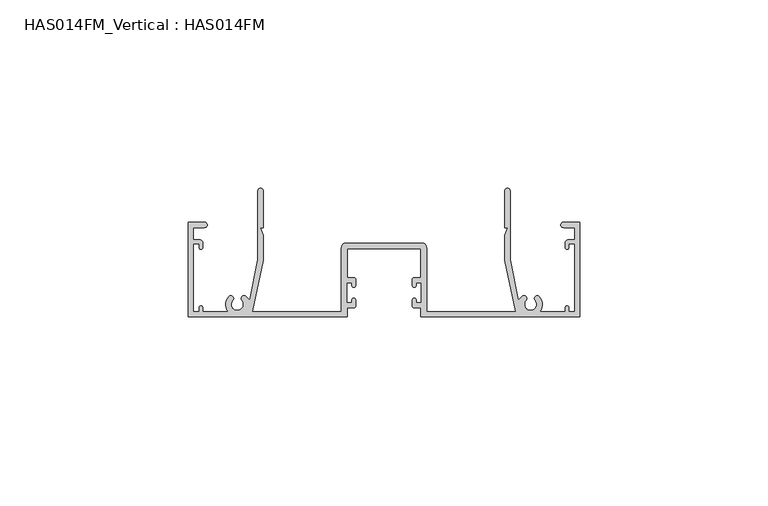
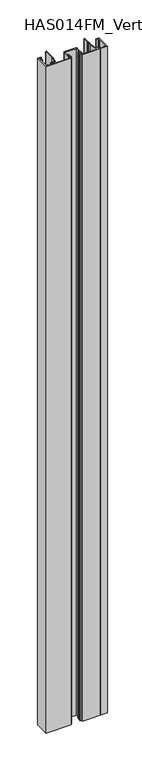
"""IFC4 building model written with IfcOpenShell, lengths in millimetres: beam geometry, HAS014FM_Vertical : HAS014FM."""

from ifc_helpers import new_model, si_unit, point, frame, frame_2d, origin, place, context, project, spatial, polyline, circle_curve, trimmed, segment, composite_curve, outline, extrude, source, transform, mapped, element, save


def has014fm_vertical_has014fm_8f078e65(model_context):
    return source(origin(), model_context, "Body", "SweptSolid", [
        extrude(outline(composite_curve([segment(polyline([(9.7397316, -31.7708648), (8.0332081, -31.7708648)]), True, "CONTINUOUS"), segment(trimmed(circle_curve(frame_2d((8.0332081, -31.2689461)), 0.5019187), [point((8.0332081, -31.7708648))], [point((7.5312895, -31.2689461))], False, "CARTESIAN"), True, "CONTINUOUS"), segment(polyline([(7.5312895, -31.2689461), (7.5312895, -29.6635739)]), True, "CONTINUOUS"), segment(trimmed(circle_curve(frame_2d((8.0332081, -29.6635739)), 0.5019187), [point((7.5312895, -29.6635739))], [point((8.5351268, -29.6635739))], False, "CARTESIAN"), True, "CONTINUOUS"), segment(polyline([(8.5351268, -29.6635739), (8.5351268, -30.4658763), (9.940499, -30.4658763), (9.940499, -25.0451548), (8.5351268, -25.0451548), (8.5351268, -25.8474572)]), True, "CONTINUOUS"), segment(trimmed(circle_curve(frame_2d((8.0332081, -25.8474572)), 0.5019187), [point((8.5351268, -25.8474572))], [point((7.5312895, -25.8474572))], False, "CARTESIAN"), True, "CONTINUOUS"), segment(polyline([(7.5312895, -25.8474572), (7.5312895, -24.2420849)]), True, "CONTINUOUS"), segment(trimmed(circle_curve(frame_2d((8.0332081, -24.2420849)), 0.5019187), [point((7.5312895, -24.2420849))], [point((8.0332081, -23.7401663))], False, "CARTESIAN"), True, "CONTINUOUS"), segment(polyline([(8.0332081, -23.7401663), (9.7397316, -23.7401663), (9.7397316, -16.1110027), (-9.7397316, -16.1110027), (-9.7397316, -23.7401663), (-8.0332081, -23.7401663)]), True, "CONTINUOUS"), segment(trimmed(circle_curve(frame_2d((-8.0332081, -24.2420849)), 0.5019187), [point((-8.0332081, -23.7401663))], [point((-7.5312895, -24.2420849))], False, "CARTESIAN"), True, "CONTINUOUS"), segment(polyline([(-7.5312895, -24.2420849), (-7.5312895, -25.8474572)]), True, "CONTINUOUS"), segment(trimmed(circle_curve(frame_2d((-8.0332081, -25.8474572)), 0.5019187), [point((-7.5312895, -25.8474572))], [point((-8.5351268, -25.8474572))], False, "CARTESIAN"), True, "CONTINUOUS"), segment(polyline([(-8.5351268, -25.8474572), (-8.5351268, -25.0451548), (-9.940499, -25.0451548), (-9.940499, -30.4658763), (-8.5351268, -30.4658763), (-8.5351268, -29.6635739)]), True, "CONTINUOUS"), segment(trimmed(circle_curve(frame_2d((-8.0332081, -29.6635739)), 0.5019187), [point((-8.5351268, -29.6635739))], [point((-7.5312895, -29.6635739))], False, "CARTESIAN"), True, "CONTINUOUS"), segment(polyline([(-7.5312895, -29.6635739), (-7.5312895, -31.2689461)]), True, "CONTINUOUS"), segment(trimmed(circle_curve(frame_2d((-8.0332081, -31.2689461)), 0.5019187), [point((-7.5312895, -31.2689461))], [point((-8.0332081, -31.7708648))], False, "CARTESIAN"), True, "CONTINUOUS"), segment(polyline([(-8.0332081, -31.7708648), (-9.7397316, -31.7708648), (-9.7397316, -34.1298825), (-51.998773, -34.1298825), (-51.998773, -9.0339496), (-47.6822725, -9.0339496)]), True, "CONTINUOUS"), segment(trimmed(circle_curve(frame_2d((-47.6822725, -9.7366357)), 0.7026861), [point((-47.6822725, -9.0339496))], [point((-47.6822725, -10.4393218))], False, "CARTESIAN"), True, "CONTINUOUS"), segment(polyline([(-47.6822725, -10.4393218), (-50.6435926, -10.4393218), (-50.6435926, -13.7017931), (-48.9370692, -13.7017931)]), True, "CONTINUOUS"), segment(trimmed(circle_curve(frame_2d((-48.9370692, -14.504863)), 0.8030699), [point((-48.9370692, -13.7017931))], [point((-48.1339993, -14.504863))], False, "CARTESIAN"), True, "CONTINUOUS"), segment(polyline([(-48.1339993, -14.504863), (-48.1339993, -15.7094677)]), True, "CONTINUOUS"), segment(trimmed(circle_curve(frame_2d((-48.635918, -15.7094677)), 0.5019187), [point((-48.1339993, -15.7094677))], [point((-49.1378366, -15.7094677))], False, "CARTESIAN"), True, "CONTINUOUS"), segment(polyline([(-49.1378366, -15.7094677), (-49.1378366, -14.7056304), (-50.6435926, -14.7056304), (-50.6435926, -32.7747021), (-49.1378366, -32.7747021), (-49.1378366, -31.7708648)]), True, "CONTINUOUS"), segment(trimmed(circle_curve(frame_2d((-48.635918, -31.7708648)), 0.5019187), [point((-49.1378366, -31.7708648))], [point((-48.1339993, -31.7708648))], False, "CARTESIAN"), True, "CONTINUOUS"), segment(polyline([(-48.1339993, -31.7708648), (-48.1339993, -32.7747021), (-41.4082317, -32.7747021)]), True, "CONTINUOUS"), segment(trimmed(circle_curve(frame_2d((-38.9488879, -30.8679975)), 3.1118957), [point((-41.4082317, -32.7747021))], [point((-41.283567, -28.810531))], False, "CARTESIAN"), True, "CONTINUOUS"), segment(trimmed(circle_curve(frame_2d((-40.7187253, -29.3083052)), 0.752878), [point((-41.283567, -28.810531))], [point((-40.1538835, -29.8060793))], False, "CARTESIAN"), True, "CONTINUOUS"), segment(trimmed(circle_curve(frame_2d((-38.9488879, -30.8679975)), 1.6061397), [point((-40.1538835, -29.8060793))], [point((-38.9120232, -32.4737141))], True, "CARTESIAN"), True, "CONTINUOUS"), segment(trimmed(circle_curve(frame_2d((-38.9488879, -30.8679975)), 1.6061397), [point((-38.9120232, -32.4737141))], [point((-37.7438922, -29.8060793))], True, "CARTESIAN"), True, "CONTINUOUS"), segment(trimmed(circle_curve(frame_2d((-37.1790505, -29.3083052)), 0.752878), [point((-37.7438922, -29.8060793))], [point((-36.6142088, -28.810531))], False, "CARTESIAN"), True, "CONTINUOUS"), segment(polyline([(-36.6142088, -28.810531), (-35.692704, -29.7320358), (-33.4779745, -18.9347678), (-33.4779745, -0.6775902)]), True, "CONTINUOUS"), segment(trimmed(circle_curve(frame_2d((-32.8003843, -0.6775902)), 0.6775902), [point((-33.4779745, -0.6775902))], [point((-32.1227941, -0.6775902))], False, "CARTESIAN"), True, "CONTINUOUS"), segment(polyline([(-32.1227941, -0.6775902), (-32.1227941, -10.5402918), (-32.925864, -10.5402918), (-32.1227941, -12.4331683), (-32.1227941, -19.0723228), (-34.9335386, -32.7752884), (-11.2956794, -32.7752884), (-11.2956794, -15.7596596)]), True, "CONTINUOUS"), segment(trimmed(circle_curve(frame_2d((-10.0910746, -15.7596596)), 1.2046048), [point((-11.2956794, -15.7596596))], [point((-10.0910746, -14.5550548))], False, "CARTESIAN"), True, "CONTINUOUS"), segment(polyline([(-10.0910746, -14.5550548), (10.0910746, -14.5550548)]), True, "CONTINUOUS"), segment(trimmed(circle_curve(frame_2d((10.0910746, -15.7596596)), 1.2046048), [point((10.0910746, -14.5550548))], [point((11.2956794, -15.7596596))], False, "CARTESIAN"), True, "CONTINUOUS"), segment(polyline([(11.2956794, -15.7596596), (11.2956794, -32.7752884), (34.9335386, -32.7752884), (32.1227941, -19.0723228), (32.1227941, -12.4331683), (32.925864, -10.5402918), (32.1227941, -10.5402918), (32.1227941, -0.6775902)]), True, "CONTINUOUS"), segment(trimmed(circle_curve(frame_2d((32.8003843, -0.6775902)), 0.6775902), [point((32.1227941, -0.6775902))], [point((33.4779745, -0.6775902))], False, "CARTESIAN"), True, "CONTINUOUS"), segment(polyline([(33.4779745, -0.6775902), (33.4779745, -18.9347678), (35.692704, -29.7320358), (36.6142088, -28.810531)]), True, "CONTINUOUS"), segment(trimmed(circle_curve(frame_2d((37.1790505, -29.3083052)), 0.752878), [point((36.6142088, -28.810531))], [point((37.7438922, -29.8060793))], False, "CARTESIAN"), True, "CONTINUOUS"), segment(trimmed(circle_curve(frame_2d((38.9488879, -30.8679975)), 1.6061397), [point((37.7438922, -29.8060793))], [point((39.0041772, -32.4731853))], True, "CARTESIAN"), True, "CONTINUOUS"), segment(trimmed(circle_curve(frame_2d((38.9488879, -30.8679975)), 1.6061397), [point((39.0041772, -32.4731853))], [point((40.1538836, -29.8060793))], True, "CARTESIAN"), True, "CONTINUOUS"), segment(trimmed(circle_curve(frame_2d((40.7187253, -29.3083052)), 0.752878), [point((40.1538836, -29.8060793))], [point((41.283567, -28.810531))], False, "CARTESIAN"), True, "CONTINUOUS"), segment(trimmed(circle_curve(frame_2d((38.9488879, -30.8679975)), 3.1118957), [point((41.283567, -28.810531))], [point((41.4082317, -32.7747021))], False, "CARTESIAN"), True, "CONTINUOUS"), segment(polyline([(41.4082317, -32.7747021), (48.1339993, -32.7747021), (48.1339993, -31.7708648)]), True, "CONTINUOUS"), segment(trimmed(circle_curve(frame_2d((48.635918, -31.7708648)), 0.5019187), [point((48.1339993, -31.7708648))], [point((49.1378366, -31.7708648))], False, "CARTESIAN"), True, "CONTINUOUS"), segment(polyline([(49.1378366, -31.7708648), (49.1378366, -32.7747021), (50.6435926, -32.7747021), (50.6435926, -14.7056304), (49.1378366, -14.7056304), (49.1378366, -15.7094677)]), True, "CONTINUOUS"), segment(trimmed(circle_curve(frame_2d((48.635918, -15.7094677)), 0.5019187), [point((49.1378366, -15.7094677))], [point((48.1339993, -15.7094677))], False, "CARTESIAN"), True, "CONTINUOUS"), segment(polyline([(48.1339993, -15.7094677), (48.1339993, -14.504863)]), True, "CONTINUOUS"), segment(trimmed(circle_curve(frame_2d((48.9370692, -14.504863)), 0.8030699), [point((48.1339993, -14.504863))], [point((48.9370692, -13.7017931))], False, "CARTESIAN"), True, "CONTINUOUS"), segment(polyline([(48.9370692, -13.7017931), (50.6435926, -13.7017931), (50.6435926, -10.4393218), (47.6822725, -10.4393218)]), True, "CONTINUOUS"), segment(trimmed(circle_curve(frame_2d((47.6822725, -9.7366357)), 0.7026861), [point((47.6822725, -10.4393218))], [point((47.6822725, -9.0339496))], False, "CARTESIAN"), True, "CONTINUOUS"), segment(polyline([(47.6822725, -9.0339496), (51.998773, -9.0339496), (51.998773, -34.1298825), (9.7397316, -34.1298825), (9.7397316, -31.7708648)]), True, "CONTINUOUS")], self_intersect=False)), frame((0.0, 0.0, -600.0), z_axis=(0.0, 0.0, 1.0), x_axis=(1.0, 0.0, 0.0)), (0.0, 0.0, 1.0), 1200.0),
    ])


if __name__ == "__main__":
    model = new_model("IFC4")
    model_context = context("Model", 3, world=origin())
    ifc_project = project(units=[si_unit("LENGTHUNIT", "METRE", prefix="MILLI")], contexts=[model_context])
    site = spatial("IfcSite", under=ifc_project)
    building = spatial("IfcBuilding", under=site)
    placement = place(None, origin())
    has014fm_vertical_has014fm_shape = has014fm_vertical_has014fm_8f078e65(model_context)
    element("IfcBeam", 1, ObjectType="HAS014FM_Vertical : HAS014FM", at=placement, inside=building, context=model_context, shape_type="MappedRepresentation", body=[
        mapped(has014fm_vertical_has014fm_shape, transform((0.0, 0.0, 0.0), x_axis=(1.0, 0.0, 0.0), y_axis=(0.0, 1.0, 0.0), z_axis=(0.0, 0.0, 1.0))),
    ])
    save(model, "model.ifc")
